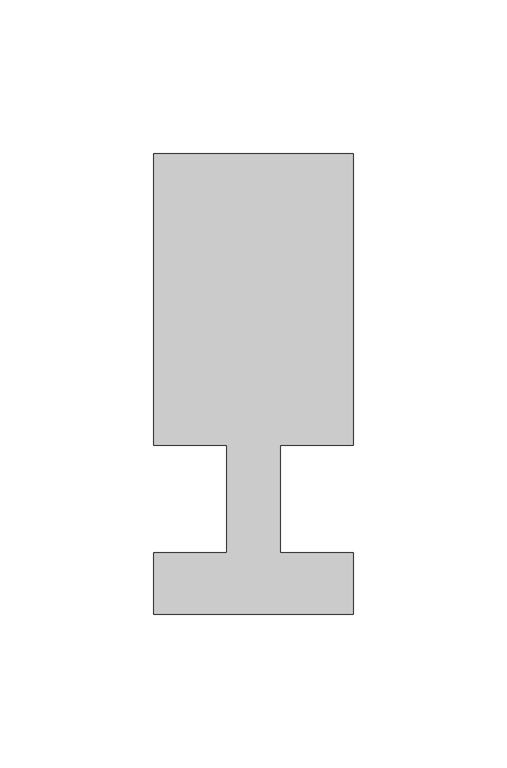
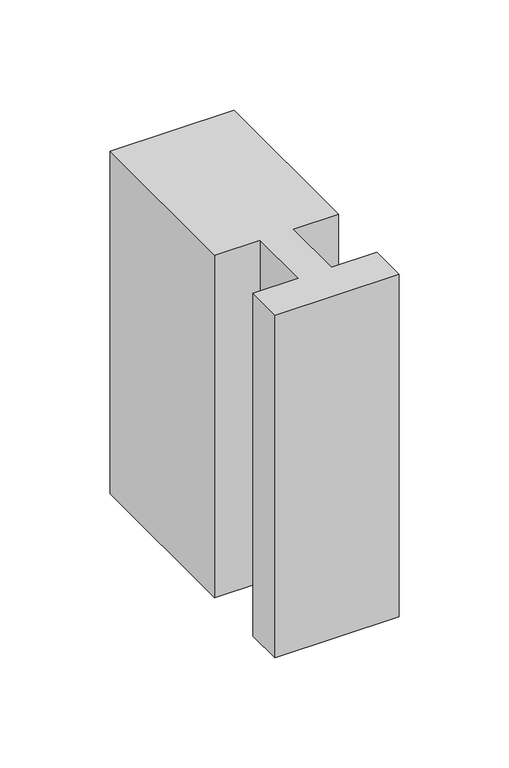
"""IFC4 building model written with IfcOpenShell, lengths in millimetres: member geometry."""

from ifc_helpers import new_model, si_unit, frame, origin, place, context, project, spatial, polyline, outline, extrude, source, transform, mapped, element, save


def member_57395894(model_context):
    return source(origin(), model_context, "Body", "SweptSolid", [
        extrude(outline(polyline([(-65.0, -37.0), (-65.0, -17.0), (-41.1875, -17.0), (-41.1875, 18.0), (-65.0, 18.0), (-65.0, 113.0), (0.0, 113.0), (0.0, 18.0), (-23.8125, 18.0), (-23.8125, -17.0), (0.0, -17.0), (0.0, -37.0), (-65.0, -37.0)])), frame((0.0, 0.0, -190.0), z_axis=(0.0, 0.0, 1.0), x_axis=(1.0, 0.0, 0.0)), (0.0, 0.0, 1.0), 190.0),
    ])


if __name__ == "__main__":
    model = new_model("IFC4")
    model_context = context("Model", 3, world=origin())
    ifc_project = project(units=[si_unit("LENGTHUNIT", "METRE", prefix="MILLI")], contexts=[model_context])
    site = spatial("IfcSite", under=ifc_project)
    building = spatial("IfcBuilding", under=site)
    placement = place(None, origin())
    member_shape = member_57395894(model_context)
    element("IfcMember", 1, at=placement, inside=building, context=model_context, shape_type="MappedRepresentation", body=[
        mapped(member_shape, transform((0.0, 0.0, 0.0), x_axis=(1.0, 0.0, 0.0), y_axis=(0.0, 1.0, 0.0), z_axis=(0.0, 0.0, 1.0))),
    ])
    save(model, "model.ifc")
